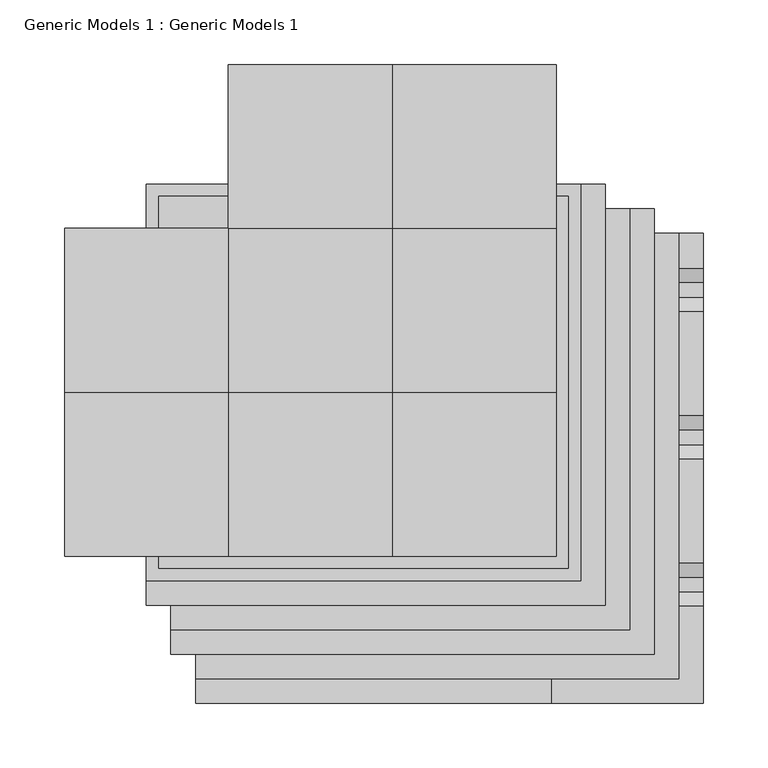
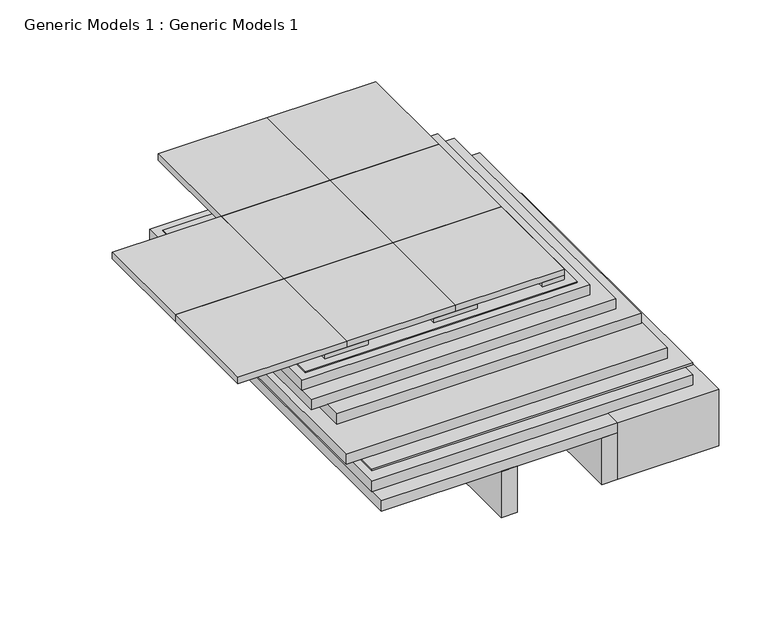
"""IFC4 building model written with IfcOpenShell, lengths in millimetres: proxy geometry, Generic Models 1 : Generic Models 1."""

from ifc_helpers import new_model, si_unit, frame, origin, place, context, project, spatial, polyline, outline, extrude, source, transform, mapped, element, save


def generic_models_1_generic_models_1_15099ddb(model_context):
    return source(origin(), model_context, "Body", "SweptSolid", [
        extrude(outline(polyline([(-130.175, 393.1038588), (187.325, 393.1038588), (187.325, 104.775), (-130.175, 104.775), (-130.175, 393.1038588)])), frame((0.0, 0.0, 206.375), z_axis=(0.0, 0.0, 1.0), x_axis=(1.0, 0.0, 0.0)), (0.0, 0.0, 1.0), 0.79375),
        extrude(outline(polyline([(-101.6, 165.1), (-50.8, 165.1), (-50.8, 114.3), (-101.6, 114.3), (-101.6, 165.1)])), frame((0.0, 0.0, 206.375), z_axis=(0.0, 0.0, 1.0), x_axis=(1.0, 0.0, 0.0)), (0.0, 0.0, 1.0), 6.35),
        extrude(outline(polyline([(127.0, 342.9), (127.0, 393.7), (177.8, 393.7), (177.8, 342.9), (127.0, 342.9)])), frame((0.0, 0.0, 206.375), z_axis=(0.0, 0.0, 1.0), x_axis=(1.0, 0.0, 0.0)), (0.0, 0.0, 1.0), 6.35),
        extrude(outline(polyline([(127.0, 215.9), (127.0, 266.7), (177.8, 266.7), (177.8, 215.9), (127.0, 215.9)])), frame((0.0, 0.0, 206.375), z_axis=(0.0, 0.0, 1.0), x_axis=(1.0, 0.0, 0.0)), (0.0, 0.0, 1.0), 6.35),
        extrude(outline(polyline([(152.4, 139.7), (177.8, 139.7), (177.8, 114.3), (152.4, 114.3), (152.4, 139.7)])), frame((0.0, 0.0, 206.375), z_axis=(0.0, 0.0, 1.0), x_axis=(1.0, 0.0, 0.0)), (0.0, 0.0, 1.0), 6.35),
        extrude(outline(polyline([(25.4, 165.1), (76.2, 165.1), (76.2, 114.3), (25.4, 114.3), (25.4, 165.1)])), frame((0.0, 0.0, 206.375), z_axis=(0.0, 0.0, 1.0), x_axis=(1.0, 0.0, 0.0)), (0.0, 0.0, 1.0), 6.35),
        extrude(outline(polyline([(-203.2, 368.3), (-76.2, 368.3), (-76.2, 241.3), (-203.2, 241.3), (-203.2, 368.3)])), frame((0.0, 0.0, 212.725), z_axis=(0.0, 0.0, 1.0), x_axis=(1.0, 0.0, 0.0)), (0.0, 0.0, 1.0), 7.9375),
        extrude(outline(polyline([(-76.2, 495.3), (50.8, 495.3), (50.8, 368.3), (-76.2, 368.3), (-76.2, 495.3)])), frame((0.0, 0.0, 212.725), z_axis=(0.0, 0.0, 1.0), x_axis=(1.0, 0.0, 0.0)), (0.0, 0.0, 1.0), 7.9375),
        extrude(outline(polyline([(50.8, 495.3), (177.8, 495.3), (177.8, 368.3), (50.8, 368.3), (50.8, 495.3)])), frame((0.0, 0.0, 212.725), z_axis=(0.0, 0.0, 1.0), x_axis=(1.0, 0.0, 0.0)), (0.0, 0.0, 1.0), 7.9375),
        extrude(outline(polyline([(-203.2, 241.3), (-76.2, 241.3), (-76.2, 114.3), (-203.2, 114.3), (-203.2, 241.3)])), frame((0.0, 0.0, 212.725), z_axis=(0.0, 0.0, 1.0), x_axis=(1.0, 0.0, 0.0)), (0.0, 0.0, 1.0), 7.9375),
        extrude(outline(polyline([(-76.2, 368.3), (50.8, 368.3), (50.8, 241.3), (-76.2, 241.3), (-76.2, 368.3)])), frame((0.0, 0.0, 212.725), z_axis=(0.0, 0.0, 1.0), x_axis=(1.0, 0.0, 0.0)), (0.0, 0.0, 1.0), 7.9375),
        extrude(outline(polyline([(-76.2, 241.3), (50.8, 241.3), (50.8, 114.3), (-76.2, 114.3), (-76.2, 241.3)])), frame((0.0, 0.0, 212.725), z_axis=(0.0, 0.0, 1.0), x_axis=(1.0, 0.0, 0.0)), (0.0, 0.0, 1.0), 7.9375),
        extrude(outline(polyline([(50.8, 368.3), (177.8, 368.3), (177.8, 241.3), (50.8, 241.3), (50.8, 368.3)])), frame((0.0, 0.0, 212.725), z_axis=(0.0, 0.0, 1.0), x_axis=(1.0, 0.0, 0.0)), (0.0, 0.0, 1.0), 7.9375),
        extrude(outline(polyline([(-120.65, 383.5788588), (234.95, 383.5788588), (234.95, 57.15), (-120.65, 57.15), (-120.65, 383.5788588)])), frame((0.0, 0.0, 168.275), z_axis=(0.0, 0.0, 1.0), x_axis=(1.0, 0.0, 0.0)), (0.0, 0.0, 1.0), 12.7),
        extrude(outline(polyline([(-120.65, 383.5788588), (254.0, 383.5788588), (254.0, 38.1), (-120.65, 38.1), (-120.65, 383.5788588)])), frame((0.0, 0.0, 130.175), z_axis=(0.0, 0.0, 1.0), x_axis=(1.0, 0.0, 0.0)), (0.0, 0.0, 1.0), 12.7),
        extrude(outline(polyline([(-101.6, 364.5288588), (273.05, 364.5288588), (273.05, 19.05), (-101.6, 19.05), (-101.6, 364.5288588)])), frame((0.0, 0.0, 127.0), z_axis=(0.0, 0.0, 1.0), x_axis=(1.0, 0.0, 0.0)), (0.0, 0.0, 1.0), 2.38125),
        extrude(outline(polyline([(228.670593, 44.45), (196.920593, 76.2), (201.410721, 76.2), (231.845593, 45.7651281), (262.2804649, 76.2), (266.770593, 76.2), (235.020593, 44.45), (228.670593, 44.45)])), frame((287.3375, 0.0, 0.0), z_axis=(1.0, 0.0, 0.0), x_axis=(0.0, 1.0, 0.0)), (0.0, 0.0, 1.0), 3.175),
        extrude(outline(polyline([(110.7911863, 44.45), (79.0411863, 76.2), (83.5313144, 76.2), (113.9661863, 45.7651281), (144.4010583, 76.2), (148.8911863, 76.2), (117.1411863, 44.45), (110.7911863, 44.45)])), frame((287.3375, 0.0, 0.0), z_axis=(1.0, 0.0, 0.0), x_axis=(0.0, 1.0, 0.0)), (0.0, 0.0, 1.0), 3.175),
        extrude(outline(polyline([(364.5288588, 88.9), (364.5288588, 76.2), (25.4, 76.2), (12.7, 88.9), (364.5288588, 88.9)])), frame((285.75, 0.0, 0.0), z_axis=(1.0, 0.0, 0.0), x_axis=(0.0, 1.0, 0.0)), (0.0, 0.0, 1.0), 6.35),
        extrude(outline(polyline([(364.5288588, 31.75), (69.85, 31.75), (57.15, 44.45), (364.5288588, 44.45), (364.5288588, 31.75)])), frame((285.75, 0.0, 0.0), z_axis=(1.0, 0.0, 0.0), x_axis=(0.0, 1.0, 0.0)), (0.0, 0.0, 1.0), 6.35),
        extrude(outline(polyline([(75.3364053, 101.6), (86.4489053, 90.4875), (97.8337772, 90.4875), (108.9462772, 101.6), (189.6364053, 101.6), (200.7489053, 90.4875), (212.1337772, 90.4875), (223.2462772, 101.6), (303.9364053, 101.6), (315.0489053, 90.4875), (326.4337772, 90.4875), (337.5462772, 101.6), (364.5288588, 101.6), (364.5288588, 100.0125), (338.2038412, 100.0125), (327.0913412, 88.9), (314.3913412, 88.9), (303.2788412, 100.0125), (223.9038412, 100.0125), (212.7913412, 88.9), (200.0913412, 88.9), (188.9788412, 100.0125), (109.6038412, 100.0125), (98.4913412, 88.9), (85.7913412, 88.9), (74.6788412, 100.0125), (1.5875, 100.0125), (0.0, 101.6), (75.3364053, 101.6)])), frame((174.625, 0.0, 0.0), z_axis=(1.0, 0.0, 0.0), x_axis=(0.0, 1.0, 0.0)), (0.0, 0.0, 1.0), 117.475),
        extrude(outline(polyline([(0.0, 31.75), (0.0, 101.6), (69.85, 31.75), (0.0, 31.75)])), frame((174.625, 0.0, 0.0), z_axis=(1.0, 0.0, 0.0), x_axis=(0.0, 1.0, 0.0)), (0.0, 0.0, 1.0), 117.475),
        extrude(outline(polyline([(50.8, 241.3), (177.8, 241.3), (177.8, 114.3), (50.8, 114.3), (50.8, 241.3)])), frame((0.0, 0.0, 212.725), z_axis=(0.0, 0.0, 1.0), x_axis=(1.0, 0.0, 0.0)), (0.0, 0.0, 1.0), 7.9375),
        extrude(outline(polyline([(-139.7, 402.6288588), (196.85, 402.6288588), (196.85, 95.25), (-139.7, 95.25), (-139.7, 402.6288588)])), frame((0.0, 0.0, 193.675), z_axis=(0.0, 0.0, 1.0), x_axis=(1.0, 0.0, 0.0)), (0.0, 0.0, 1.0), 12.7),
        extrude(outline(polyline([(-139.7, 402.6288588), (215.9, 402.6288588), (215.9, 76.2), (-139.7, 76.2), (-139.7, 402.6288588)])), frame((0.0, 0.0, 180.975), z_axis=(0.0, 0.0, 1.0), x_axis=(1.0, 0.0, 0.0)), (0.0, 0.0, 1.0), 12.7),
        extrude(outline(polyline([(-101.6, 364.5288588), (273.05, 364.5288588), (273.05, 19.05), (-101.6, 19.05), (-101.6, 364.5288588)])), frame((0.0, 0.0, 101.6), z_axis=(0.0, 0.0, 1.0), x_axis=(1.0, 0.0, 0.0)), (0.0, 0.0, 1.0), 12.7),
        extrude(outline(polyline([(57.15, 0.0), (38.1, 0.0), (38.1, 261.3017557), (57.15, 261.3017557), (57.15, 0.0)])), frame((0.0, 0.0, 31.75), z_axis=(0.0, 0.0, 1.0), x_axis=(1.0, 0.0, 0.0)), (0.0, 0.0, 1.0), 57.15),
        extrude(outline(polyline([(174.625, 0.0), (155.575, 0.0), (155.575, 261.3017557), (174.625, 261.3017557), (174.625, 0.0)])), frame((0.0, 0.0, 31.75), z_axis=(0.0, 0.0, 1.0), x_axis=(1.0, 0.0, 0.0)), (0.0, 0.0, 1.0), 57.15),
        extrude(outline(polyline([(-101.6, 364.5288588), (174.625, 364.5288588), (174.625, 0.0), (-101.6, 0.0), (-101.6, 364.5288588)])), frame((0.0, 0.0, 88.9), z_axis=(0.0, 0.0, 1.0), x_axis=(1.0, 0.0, 0.0)), (0.0, 0.0, 1.0), 12.7),
    ])


if __name__ == "__main__":
    model = new_model("IFC4")
    model_context = context("Model", 3, world=origin())
    ifc_project = project(units=[si_unit("LENGTHUNIT", "METRE", prefix="MILLI")], contexts=[model_context])
    site = spatial("IfcSite", under=ifc_project)
    building = spatial("IfcBuilding", under=site)
    placement = place(None, origin())
    generic_models_1_generic_models_1_shape = generic_models_1_generic_models_1_15099ddb(model_context)
    element("IfcBuildingElementProxy", 1, Name="Generic Models 1 : Generic Models 1", ObjectType="Generic Models 1 : Generic Models 1", at=placement, inside=building, context=model_context, shape_type="MappedRepresentation", body=[
        mapped(generic_models_1_generic_models_1_shape, transform((0.0, 0.0, 0.0), x_axis=(1.0, 0.0, 0.0), y_axis=(0.0, 1.0, 0.0), z_axis=(0.0, 0.0, 1.0))),
    ])
    save(model, "model.ifc")
